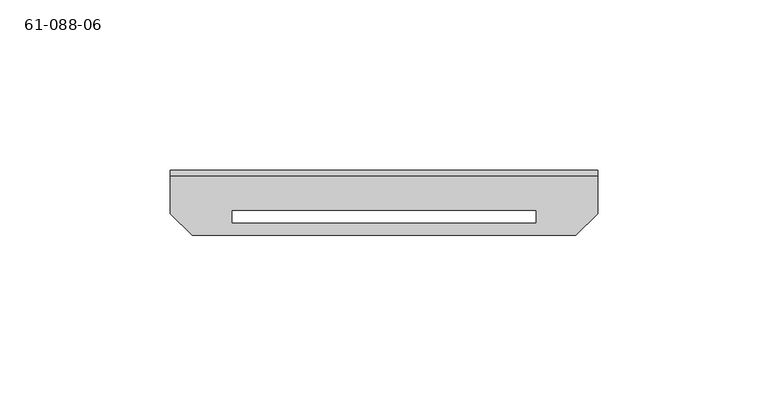
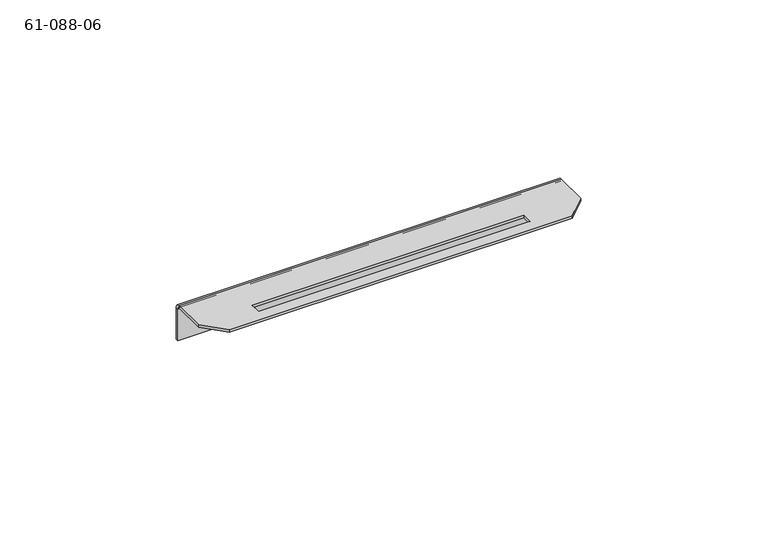
"""IFC4 building model written with IfcOpenShell, lengths in millimetres: proxy geometry, 61-088-06."""

from ifc_helpers import new_model, si_unit, frame, origin, place, context, project, spatial, polyline, circle_curve, source, transform, mapped, element, save
from ifc_brep_helpers import plane_surface, cylinder_surface, revolved_surface, advanced_brep


def proxy_61_088_06_0de3a72d(model_context):
    return source(origin(), model_context, "Body", "AdvancedBrep", [
        advanced_brep(
        [(150.737701, -47.1647349, -5.4864), (150.737701, -48.0283349, -5.4864), (146.394301, -48.0283349, -5.4864), (146.394301, -47.1647349, -5.4864), (50.864901, -47.1647349, -5.4864), (50.864901, -48.0283349, -5.4864), (46.521501, -48.0283349, -5.4864), (46.521501, -47.1647349, -5.4864), (54.179601, -59.0011349, 0.0), (143.079601, -59.0011349, 0.0), (143.079601, -59.0011349, 0.8636), (54.179601, -59.0011349, 0.8636), (143.079601, -62.5444349, 0.0), (143.079601, -62.5444349, 0.8636), (54.179601, -62.5444349, 0.0), (54.179601, -62.5444349, 0.8636), (42.343201, -66.2147349, 0.8636), (35.993201, -59.8647349, 0.8636), (35.993201, -59.8647349, 0.0), (42.343201, -66.2147349, 0.0), (35.993201, -48.8919349, 0.8636), (35.993201, -48.8919349, 0.0), (154.916001, -66.2147349, 0.8636), (161.266001, -59.8647349, 0.8636), (161.266001, -48.8919349, 0.8636), (154.916001, -66.2147349, 0.0), (161.266001, -59.8647349, 0.0), (161.266001, -48.8919349, 0.0), (161.266001, -47.1647349, -0.8636), (35.993201, -47.1647349, -0.8636), (161.266001, -48.0283349, -0.8636), (161.266001, -48.0283349, -11.8364), (161.266001, -47.1647349, -11.8364), (35.993201, -48.0283349, -0.8636), (35.993201, -48.0283349, -11.8364), (35.993201, -47.1647349, -11.8364)],
        [
            (0, 1),
            (1, 2, circle_curve(frame((148.566001, -48.0283349, -5.4864), z_axis=(0.0, -1.0, 0.0), x_axis=(1.0, 0.0, 0.0)), 2.1717)),
            (2, 3),
            (3, 0, circle_curve(frame((148.566001, -47.1647349, -5.4864), z_axis=(0.0, 1.0, 0.0), x_axis=(1.0, 0.0, 0.0)), 2.1717)),
            (4, 5),
            (5, 6, circle_curve(frame((48.693201, -48.0283349, -5.4864), z_axis=(0.0, -1.0, 0.0), x_axis=(1.0, 0.0, 0.0)), 2.1717)),
            (6, 7),
            (7, 4, circle_curve(frame((48.693201, -47.1647349, -5.4864), z_axis=(0.0, 1.0, 0.0), x_axis=(1.0, 0.0, 0.0)), 2.1717)),
            (8, 9),
            (9, 10),
            (10, 11),
            (11, 8),
            (9, 12),
            (12, 13),
            (13, 10),
            (12, 14),
            (14, 15),
            (15, 13),
            (14, 8),
            (11, 15),
            (4, 7, circle_curve(frame((48.693201, -47.1647349, -5.4864), z_axis=(0.0, 1.0, 0.0), x_axis=(1.0, 0.0, 0.0)), 2.1717)),
            (6, 5, circle_curve(frame((48.693201, -48.0283349, -5.4864), z_axis=(0.0, -1.0, 0.0), x_axis=(1.0, 0.0, 0.0)), 2.1717)),
            (0, 3, circle_curve(frame((148.566001, -47.1647349, -5.4864), z_axis=(0.0, 1.0, 0.0), x_axis=(1.0, 0.0, 0.0)), 2.1717)),
            (2, 1, circle_curve(frame((148.566001, -48.0283349, -5.4864), z_axis=(0.0, -1.0, 0.0), x_axis=(1.0, 0.0, 0.0)), 2.1717)),
            (16, 17),
            (17, 18),
            (18, 19),
            (19, 16),
            (17, 20),
            (20, 21),
            (21, 18),
            (16, 22),
            (22, 23),
            (23, 24),
            (24, 20),
            (22, 25),
            (25, 26),
            (26, 23),
            (26, 27),
            (27, 24),
            (28, 29),
            (29, 20, circle_curve(frame((35.993201, -48.8919349, -0.8636), z_axis=(1.0, 0.0, 0.0), x_axis=(0.0, 0.0, 1.0)), 1.7272)),
            (24, 28, circle_curve(frame((161.266001, -48.8919349, -0.8636), z_axis=(-1.0, 0.0, 0.0), x_axis=(0.0, 0.0, 1.0)), 1.7272)),
            (28, 30),
            (30, 31),
            (31, 32),
            (32, 28),
            (30, 33),
            (33, 34),
            (34, 31),
            (29, 33),
            (33, 21, circle_curve(frame((35.993201, -48.8919349, -0.8636), z_axis=(1.0, 0.0, 0.0), x_axis=(0.0, 0.0, 1.0)), 0.8636)),
            (27, 30, circle_curve(frame((161.266001, -48.8919349, -0.8636), z_axis=(-1.0, 0.0, 0.0), x_axis=(0.0, 0.0, 1.0)), 0.8636)),
            (29, 35),
            (35, 34),
            (35, 32),
            (27, 21),
            (19, 25),
        ],
        [
            revolved_surface(polyline([(150.737701, -48.0283349, -5.4864), (150.737701, -47.1647349, -5.4864)]), (148.566001, -47.5965349, -5.4864), (0.0, -1.0, 0.0)),
            revolved_surface(polyline([(50.864901, -48.0283349, -5.4864), (50.864901, -47.1647349, -5.4864)]), (48.693201, -47.5965349, -5.4864), (0.0, -1.0, 0.0)),
            plane_surface(frame((143.079601, -59.0011349, 0.0), z_axis=(0.0, -1.0, 0.0), x_axis=(-1.0, 0.0, 0.0))),
            plane_surface(frame((143.079601, -62.5444349, 0.0), z_axis=(-1.0, 0.0, 0.0), x_axis=(0.0, 1.0, 0.0))),
            plane_surface(frame((54.179601, -62.5444349, 0.0), z_axis=(0.0, 1.0, 0.0), x_axis=(1.0, 0.0, 0.0))),
            plane_surface(frame((54.179601, -59.0011349, 0.0), z_axis=(1.0, 0.0, 0.0), x_axis=(0.0, -1.0, 0.0))),
            plane_surface(frame((39.168201, -63.0397349, 0.0), z_axis=(-0.7071067811865468, -0.7071067811865482, 0.0), x_axis=(0.0, 0.0, 1.0))),
            plane_surface(frame((35.993201, -66.2147349, 0.0), z_axis=(-1.0, 0.0, 0.0), x_axis=(0.0, 0.0, 1.0))),
            plane_surface(frame((98.629601, -56.6897349, 0.8636), z_axis=(0.0, 0.0, 1.0), x_axis=(1.0, 0.0, 0.0))),
            plane_surface(frame((158.091001, -63.0397349, 0.0), z_axis=(0.7071067811865476, -0.7071067811865476, 0.0), x_axis=(0.0, 0.0, -1.0))),
            plane_surface(frame((161.266001, -47.1647349, 0.0), z_axis=(1.0, 0.0, 0.0), x_axis=(0.0, 0.0, -1.0))),
            cylinder_surface(frame((98.629601, -48.8919349, -0.8636), z_axis=(-1.0, 0.0, 0.0), x_axis=(0.0, 0.0, 1.0)), 1.7272),
            plane_surface(frame((161.266001, -48.0283349, -0.8636), z_axis=(1.0, 0.0, 0.0), x_axis=(0.0, -1.0, 0.0))),
            plane_surface(frame((98.629601, -48.0283349, -5.3732914), z_axis=(0.0, -1.0, 0.0), x_axis=(1.0, 0.0, 0.0))),
            plane_surface(frame((35.993201, -48.0283349, -0.8636), z_axis=(-1.0, 0.0, 0.0), x_axis=(0.0, 0.0, 1.0))),
            plane_surface(frame((161.266001, -47.1647349, -0.8636), z_axis=(1.0, 0.0, 0.0), x_axis=(0.0, 0.0, -1.0))),
            plane_surface(frame((35.993201, -48.0283349, -0.8636), z_axis=(-1.0, 0.0, 0.0), x_axis=(0.0, 1.0, 0.0))),
            plane_surface(frame((35.993201, -48.0283349, -11.8364), z_axis=(0.0, 0.0, -1.0), x_axis=(0.0, 1.0, 0.0))),
            plane_surface(frame((98.629601, -47.1647349, -5.3732914), z_axis=(0.0, 1.0, 0.0), x_axis=(1.0, 0.0, 0.0))),
            revolved_surface(polyline([(35.993201, -48.8919349, 0.0), (161.266001, -48.8919349, 0.0)]), (98.629601, -48.8919349, -0.8636), (-1.0, 0.0, 0.0)),
            plane_surface(frame((161.266001, -66.2147349, 0.0), z_axis=(0.0, -1.0, 0.0), x_axis=(0.0, 0.0, -1.0))),
            plane_surface(frame((98.629601, -56.6897349, 0.0), z_axis=(0.0, 0.0, -1.0), x_axis=(1.0, 0.0, 0.0))),
        ],
        [
            (0, [[1, 2, 3, 4]]),
            (1, [[5, 6, 7, 8]]),
            (2, [[9, 10, 11, 12]]),
            (3, [[13, 14, 15, -10]]),
            (4, [[16, 17, 18, -14]]),
            (5, [[19, -12, 20, -17]]),
            (1, [[-5, 21, -7, 22]]),
            (0, [[-1, 23, -3, 24]]),
            (6, [[25, 26, 27, 28]]),
            (7, [[-26, 29, 30, 31]]),
            (8, [[-25, 32, 33, 34, 35, -29], [-11, -15, -18, -20]]),
            (9, [[-33, 36, 37, 38]]),
            (10, [[-38, 39, 40, -34]]),
            (11, [[41, 42, -35, 43]]),
            (12, [[44, 45, 46, 47]]),
            (13, [[48, 49, 50, -45], [-22, -6], [-24, -2]]),
            (14, [[51, 52, -30, -42]]),
            (15, [[-44, -43, -40, 53]]),
            (16, [[-51, 54, 55, -49]]),
            (17, [[56, -46, -50, -55]]),
            (18, [[-41, -47, -56, -54], [-4, -23], [-8, -21]]),
            (19, [[-48, -53, 57, -52]]),
            (20, [[-28, 58, -36, -32]]),
            (21, [[-27, -31, -57, -39, -37, -58], [-9, -19, -16, -13]]),
        ],
    ),
    ])


if __name__ == "__main__":
    model = new_model("IFC4")
    model_context = context("Model", 3, world=origin())
    ifc_project = project(units=[si_unit("LENGTHUNIT", "METRE", prefix="MILLI")], contexts=[model_context])
    site = spatial("IfcSite", under=ifc_project)
    building = spatial("IfcBuilding", under=site)
    placement = place(None, origin())
    proxy_61_088_06_shape = proxy_61_088_06_0de3a72d(model_context)
    element("IfcBuildingElementProxy", 1, Name="61-088-06", ObjectType="61-088-06", at=placement, inside=building, context=model_context, shape_type="MappedRepresentation", body=[
        mapped(proxy_61_088_06_shape, transform((0.0, 0.0, 0.0), x_axis=(1.0, 0.0, 0.0), y_axis=(0.0, 1.0, 0.0), z_axis=(0.0, 0.0, 1.0))),
    ])
    save(model, "model.ifc")
